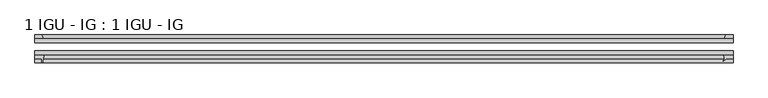
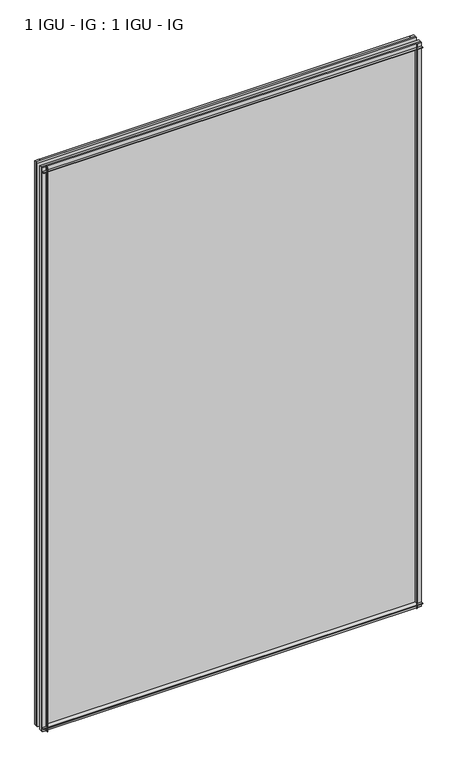
"""IFC4 building model written with IfcOpenShell, lengths in millimetres: plate geometry, 1 IGU - IG : 1 IGU - IG."""

import ifcopenshell
import ifcopenshell.guid

model = None  # the IFC model being written
_history = None  # IfcOwnerHistory: only IFC2X3 demands one
_inside = {}  # id of a spatial element -> (the spatial element, [elements in it])
_under = {}  # id of a project, library or spatial element -> (it, [spatial elements below it])
_declared = {}  # id of a project -> (the project, [libraries it declares])
_typed = {}  # id of a type object -> (the type object, [elements of that type])
_made_of = {}  # id of a material, layer set ... -> (it, [elements and type objects made of it])


def new_model(schema):
    """Start an empty IFC model of exactly this schema.

    Asked for "IFC4X3", IfcOpenShell would pick the latest addendum, in which some entities
    have other attributes; the version numbers below select the first issue.
    IFC2X3 requires an IfcOwnerHistory on every rooted entity: one is made here for all.
    """
    global model, _history
    if schema == "IFC4X3":
        model = ifcopenshell.file(schema_version=(4, 3, 0, 0))
    else:
        model = ifcopenshell.file(schema=schema)
    _inside.clear()
    _under.clear()
    _declared.clear()
    _typed.clear()
    _made_of.clear()
    _history = None
    if model.schema == "IFC2X3":
        org = make("IfcOrganization", Name="unknown")
        user = make(
            "IfcPersonAndOrganization",
            ThePerson=make("IfcPerson", FamilyName="unknown"),
            TheOrganization=org,
        )
        app = make(
            "IfcApplication",
            ApplicationDeveloper=org,
            Version="unknown",
            ApplicationFullName="unknown",
            ApplicationIdentifier="unknown",
        )
        _history = make(
            "IfcOwnerHistory",
            OwningUser=user,
            OwningApplication=app,
            ChangeAction="ADDED",
            CreationDate=0,
        )
    return model


def make(cls, **values):
    """One entity of the class cls with the attributes given. An attribute that is None is left unset."""
    return model.create_entity(
        cls, **{name: value for name, value in values.items() if value is not None}
    )


def rooted(cls, **values):
    """An entity with a GlobalId (a new one), such as an element, a storey or a relation."""
    return make(cls, GlobalId=ifcopenshell.guid.new(), OwnerHistory=_history, **values)


def si_unit(unit_type, name, prefix=None):
    """IfcSIUnit, for example si_unit("LENGTHUNIT", "METRE", prefix="MILLI")."""
    return make("IfcSIUnit", UnitType=unit_type, Prefix=prefix, Name=name)


def assignment(units):
    """IfcUnitAssignment: the units of a project."""
    return None if units is None else make("IfcUnitAssignment", Units=units)


def point(xyz):
    """IfcCartesianPoint."""
    return None if xyz is None else make("IfcCartesianPoint", Coordinates=xyz)


def direction(xyz):
    """IfcDirection."""
    return None if xyz is None else make("IfcDirection", DirectionRatios=xyz)


def frame(location, z_axis=None, x_axis=None):
    """IfcAxis2Placement3D, a coordinate frame: its origin and axes. An axis left out is left unset."""
    return make(
        "IfcAxis2Placement3D",
        Location=point(location),
        Axis=direction(z_axis),
        RefDirection=direction(x_axis),
    )


def frame_2d(location, x_axis=None):
    """IfcAxis2Placement2D, a coordinate frame in the plane: its origin and x axis."""
    return make(
        "IfcAxis2Placement2D", Location=point(location), RefDirection=direction(x_axis)
    )


def origin():
    """The frame at (0, 0, 0) with its axes left unset."""
    return frame((0.0, 0.0, 0.0))


def place(relative_to, where):
    """IfcLocalPlacement: puts the frame where relative to a parent placement (None: the world)."""
    return make(
        "IfcLocalPlacement", PlacementRelTo=relative_to, RelativePlacement=where
    )


def context(
    kind, dimensions, precision=None, world=None, true_north=None, identifier=None
):
    """IfcGeometricRepresentationContext, for example the 3D "Model" context."""
    return make(
        "IfcGeometricRepresentationContext",
        ContextIdentifier=identifier,
        ContextType=kind,
        CoordinateSpaceDimension=dimensions,
        Precision=precision,
        WorldCoordinateSystem=world,
        TrueNorth=true_north,
    )


def project(units=None, contexts=None):
    """IfcProject with its units and contexts."""
    return rooted(
        "IfcProject",
        Name="project",
        RepresentationContexts=contexts,
        UnitsInContext=assignment(units),
    )


def spatial(cls, under=None, at=None, **own):
    """A site, building, storey or space (cls), placed at a placement, below another one or the project."""
    s = rooted(cls, ObjectPlacement=at, **own)
    if under is not None:
        _under.setdefault(under.id(), (under, []))[1].append(s)
    return s


def polyline(points):
    """IfcPolyline through the points."""
    return make("IfcPolyline", Points=[point(p) for p in points])


def circle_curve(where, radius):
    """IfcCircle in the frame where."""
    return make("IfcCircle", Position=where, Radius=radius)


def trimmed(basis, trim1, trim2, sense, master):
    """IfcTrimmedCurve: the piece of a basis curve between two trims."""
    return make(
        "IfcTrimmedCurve",
        BasisCurve=basis,
        Trim1=trim1,
        Trim2=trim2,
        SenseAgreement=sense,
        MasterRepresentation=master,
    )


def segment(curve, same_sense, transition):
    """IfcCompositeCurveSegment."""
    return make(
        "IfcCompositeCurveSegment",
        Transition=transition,
        SameSense=same_sense,
        ParentCurve=curve,
    )


def composite_curve(segments, self_intersect=None):
    """IfcCompositeCurve: segments joined end to end."""
    return make("IfcCompositeCurve", Segments=segments, SelfIntersect=self_intersect)


def outline(outer, holes=None, kind="AREA"):
    """IfcArbitraryClosedProfileDef: a profile drawn as a closed curve; with holes, ...WithVoids."""
    if holes is None:
        return make("IfcArbitraryClosedProfileDef", ProfileType=kind, OuterCurve=outer)
    return make(
        "IfcArbitraryProfileDefWithVoids",
        ProfileType=kind,
        OuterCurve=outer,
        InnerCurves=holes,
    )


def extrude(swept, where, along, depth):
    """IfcExtrudedAreaSolid: the profile swept, set in the frame where, extruded along a direction by depth."""
    return make(
        "IfcExtrudedAreaSolid",
        SweptArea=swept,
        Position=where,
        ExtrudedDirection=direction(along),
        Depth=depth,
    )


def shape(context_of_items, identifier, shape_type, items):
    """IfcShapeRepresentation: the items that make up one representation, for example the "Body"."""
    return make(
        "IfcShapeRepresentation",
        ContextOfItems=context_of_items,
        RepresentationIdentifier=identifier,
        RepresentationType=shape_type,
        Items=items,
    )


def source(mapping_origin, context_of_items, identifier, shape_type, items):
    """IfcRepresentationMap: a shape defined once, which mapped items show again and again."""
    return make(
        "IfcRepresentationMap",
        MappingOrigin=mapping_origin,
        MappedRepresentation=shape(context_of_items, identifier, shape_type, items),
    )


def transform(
    local_origin,
    x_axis=None,
    y_axis=None,
    z_axis=None,
    scale=None,
    scale2=None,
    scale3=None,
    uniform=True,
):
    """IfcCartesianTransformationOperator3D, or its non-uniform kind. x_axis, y_axis, z_axis: its Axis1, 2, 3."""
    if uniform:
        return make(
            "IfcCartesianTransformationOperator3D",
            Axis1=direction(x_axis),
            Axis2=direction(y_axis),
            LocalOrigin=point(local_origin),
            Scale=scale,
            Axis3=direction(z_axis),
        )
    return make(
        "IfcCartesianTransformationOperator3DnonUniform",
        Axis1=direction(x_axis),
        Axis2=direction(y_axis),
        LocalOrigin=point(local_origin),
        Scale=scale,
        Axis3=direction(z_axis),
        Scale2=scale2,
        Scale3=scale3,
    )


def mapped(mapping_source, mapping_target):
    """IfcMappedItem: shows the shape of a source again, moved by a transform."""
    return make(
        "IfcMappedItem", MappingSource=mapping_source, MappingTarget=mapping_target
    )


def made_of(thing, what):
    """Note that an element or type object is made of a material, layer set ...; save() writes the relation."""
    if what is not None:
        _made_of.setdefault(what.id(), (what, []))[1].append(thing)
    return thing


def element(
    cls,
    number,
    at=None,
    inside=None,
    cuts=None,
    type_object=None,
    material=None,
    context=None,
    identifier="Body",
    shape_type=None,
    held_by="IfcProductDefinitionShape",
    body=None,
    shapes=None,
    **own,
):
    """One element of the class cls, such as IfcWall. Its Tag is "e" and its number.

    at: its placement. inside: the storey or other place that contains it. cuts: it is an
    opening in that element (IfcRelVoidsElement). A single representation is given by context,
    identifier, shape_type and body (its items); several are given by shapes. held_by: the class
    of the entity that holds the representations. save() writes the other relations.
    """
    e = rooted(cls, Tag="e%d" % number, ObjectPlacement=at, **own)
    if body is not None:
        shapes = [shape(context, identifier, shape_type, body)]
    if shapes is not None:
        e.Representation = make(held_by, Representations=shapes)
    if inside is not None:
        _inside.setdefault(inside.id(), (inside, []))[1].append(e)
    if cuts is not None:
        rooted(
            "IfcRelVoidsElement", RelatingBuildingElement=cuts, RelatedOpeningElement=e
        )
    if type_object is not None:
        _typed.setdefault(type_object.id(), (type_object, []))[1].append(e)
    return made_of(e, material)


def aggregate(whole, parts):
    """IfcRelAggregates: a whole, such as a stair, and the parts it consists of."""
    return rooted("IfcRelAggregates", RelatingObject=whole, RelatedObjects=parts)


def save(model, path):
    """Write the relations noted so far, then the file.

    IfcRelAggregates (storeys below a building ...), IfcRelContainedInSpatialStructure (elements
    in a storey), IfcRelDefinesByType, IfcRelAssociatesMaterial and IfcRelDeclares: one each for
    every whole, place, type object, material and project.
    """
    for whole, parts in _under.values():
        aggregate(whole, parts)
    for where, things in _inside.values():
        rooted(
            "IfcRelContainedInSpatialStructure",
            RelatedElements=things,
            RelatingStructure=where,
        )
    for kind, things in _typed.values():
        rooted("IfcRelDefinesByType", RelatedObjects=things, RelatingType=kind)
    for what, things in _made_of.values():
        rooted("IfcRelAssociatesMaterial", RelatedObjects=things, RelatingMaterial=what)
    for by, libraries in _declared.values():
        rooted("IfcRelDeclares", RelatingContext=by, RelatedDefinitions=libraries)
    model.write(path)


def plate_1_igu_ig_1_igu_ig_cc3ba992(model_context):
    return source(origin(), model_context, "Body", "SweptSolid", [
        extrude(outline(polyline([(577.8980842, -31.75), (577.8980842, -38.1), (-539.7980842, -38.1), (-539.7980842, -31.75), (577.8980842, -31.75)])), frame((0.0, 0.0, -11.1125), z_axis=(0.0, 0.0, 1.0), x_axis=(1.0, 0.0, 0.0)), (0.0, 0.0, 1.0), 1755.775),
        extrude(outline(polyline([(-539.7980842, -12.7), (577.8980842, -12.7), (577.8980842, -19.05), (-539.7980842, -19.05), (-539.7980842, -12.7)])), frame((0.0, 0.0, -11.1125), z_axis=(0.0, 0.0, 1.0), x_axis=(1.0, 0.0, 0.0)), (0.0, 0.0, 1.0), 1755.775),
        extrude(outline(polyline([(563.8391443, -12.7), (565.9444214, -6.35), (577.8980842, -6.35), (577.8980842, -12.7), (563.8391443, -12.7)])), frame((0.0, 0.0, -11.1125), z_axis=(0.0, 0.0, 1.0), x_axis=(1.0, 0.0, 0.0)), (0.0, 0.0, 1.0), 1755.775),
        extrude(outline(composite_curve([segment(trimmed(circle_curve(frame_2d((555.0469853, -42.5735189)), 8.7187667), [point((562.0468913, -47.7714232))], [point((562.5306022, -38.1))], True, "CARTESIAN"), True, "CONTINUOUS"), segment(polyline([(562.5306022, -38.1), (577.8980842, -38.1), (577.8980842, -44.45), (566.7855842, -44.45), (562.3248748, -48.9107094)]), True, "CONTINUOUS"), segment(trimmed(circle_curve(frame_2d((562.6586669, -48.225708)), 0.762), [point((562.3248748, -48.9107094))], [point((562.0468913, -47.7714232))], False, "CARTESIAN"), True, "CONTINUOUS")], self_intersect=False)), frame((0.0, 0.0, -11.1125), z_axis=(0.0, 0.0, 1.0), x_axis=(1.0, 0.0, 0.0)), (0.0, 0.0, 1.0), 1755.775),
        extrude(outline(composite_curve([segment(polyline([(-539.7980842, -38.1), (-524.504405, -38.1)]), True, "CONTINUOUS"), segment(trimmed(circle_curve(frame_2d((-481.2453887, -53.3794536)), 45.8781451), [point((-524.504405, -38.1))], [point((-527.0056415, -50.0925922))], True, "CARTESIAN"), True, "CONTINUOUS"), segment(trimmed(circle_curve(frame_2d((-527.7656834, -50.038)), 0.762), [point((-527.0056415, -50.0925922))], [point((-527.7656834, -50.8))], False, "CARTESIAN"), True, "CONTINUOUS"), segment(polyline([(-527.7656834, -50.8), (-528.6855842, -50.8), (-528.6855842, -44.45), (-539.7980842, -44.45), (-539.7980842, -38.1)]), True, "CONTINUOUS")], self_intersect=False)), frame((0.0, 0.0, -11.1125), z_axis=(0.0, 0.0, 1.0), x_axis=(1.0, 0.0, 0.0)), (0.0, 0.0, 1.0), 1755.775),
        extrude(outline(polyline([(-526.5803072, -12.7), (-539.7980842, -12.7), (-539.7980842, -6.35), (-528.6855842, -6.35), (-526.5803072, -12.7)])), frame((0.0, 0.0, -11.1125), z_axis=(0.0, 0.0, 1.0), x_axis=(1.0, 0.0, 0.0)), (0.0, 0.0, 1.0), 1755.775),
        extrude(outline(polyline([(-12.7, -11.1125), (-12.7, 2.1052771), (-6.35, 0.0), (-6.35, -11.1125), (-12.7, -11.1125)])), frame((-539.7980842, 0.0, 0.0), z_axis=(1.0, 0.0, 0.0), x_axis=(0.0, 1.0, 0.0)), (0.0, 0.0, 1.0), 1117.6961685),
        extrude(outline(composite_curve([segment(polyline([(-38.1, 4.1811793), (-38.1, -11.1125), (-44.45, -11.1125), (-44.45, 0.0), (-50.8, 0.0), (-50.8, 0.9199009)]), True, "CONTINUOUS"), segment(trimmed(circle_curve(frame_2d((-50.038, 0.9199009)), 0.762), [point((-50.8, 0.9199009))], [point((-50.0925922, 1.6799428))], False, "CARTESIAN"), True, "CONTINUOUS"), segment(trimmed(circle_curve(frame_2d((-53.3794536, 47.4401956)), 45.8781451), [point((-50.0925922, 1.6799428))], [point((-38.1, 4.1811793))], True, "CARTESIAN"), True, "CONTINUOUS")], self_intersect=False)), frame((-539.7980842, 0.0, 0.0), z_axis=(1.0, 0.0, 0.0), x_axis=(0.0, 1.0, 0.0)), (0.0, 0.0, 1.0), 1117.6961685),
        extrude(outline(polyline([(-6.35, 1733.55), (-12.7, 1731.4447229), (-12.7, 1744.6625), (-6.35, 1744.6625), (-6.35, 1733.55)])), frame((-539.7980842, 0.0, 0.0), z_axis=(1.0, 0.0, 0.0), x_axis=(0.0, 1.0, 0.0)), (0.0, 0.0, 1.0), 1117.6961685),
        extrude(outline(composite_curve([segment(polyline([(-38.1, 1744.6625), (-38.1, 1729.3688207)]), True, "CONTINUOUS"), segment(trimmed(circle_curve(frame_2d((-53.3794536, 1686.1098044)), 45.8781451), [point((-38.1, 1729.3688207))], [point((-50.0925922, 1731.8700572))], True, "CARTESIAN"), True, "CONTINUOUS"), segment(trimmed(circle_curve(frame_2d((-50.038, 1732.6300991)), 0.762), [point((-50.0925922, 1731.8700572))], [point((-50.8, 1732.6300991))], False, "CARTESIAN"), True, "CONTINUOUS"), segment(polyline([(-50.8, 1732.6300991), (-50.8, 1733.55), (-44.45, 1733.55), (-44.45, 1744.6625), (-38.1, 1744.6625)]), True, "CONTINUOUS")], self_intersect=False)), frame((-539.7980842, 0.0, 0.0), z_axis=(1.0, 0.0, 0.0), x_axis=(0.0, 1.0, 0.0)), (0.0, 0.0, 1.0), 1117.6961685),
    ])


if __name__ == "__main__":
    model = new_model("IFC4")
    model_context = context("Model", 3, world=origin())
    ifc_project = project(units=[si_unit("LENGTHUNIT", "METRE", prefix="MILLI")], contexts=[model_context])
    site = spatial("IfcSite", under=ifc_project)
    building = spatial("IfcBuilding", under=site)
    placement = place(None, origin())
    plate_1_igu_ig_1_igu_ig_shape = plate_1_igu_ig_1_igu_ig_cc3ba992(model_context)
    element("IfcPlate", 1, ObjectType="1 IGU - IG : 1 IGU - IG", at=placement, inside=building, context=model_context, shape_type="MappedRepresentation", body=[
        mapped(plate_1_igu_ig_1_igu_ig_shape, transform((0.0, 0.0, 0.0), x_axis=(1.0, 0.0, 0.0), y_axis=(0.0, 1.0, 0.0), z_axis=(0.0, 0.0, 1.0))),
    ])
    save(model, "model.ifc")
